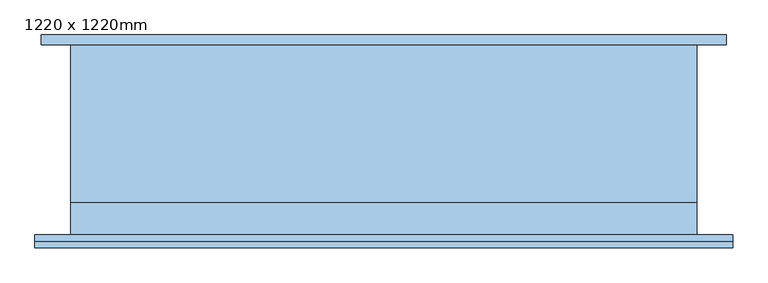
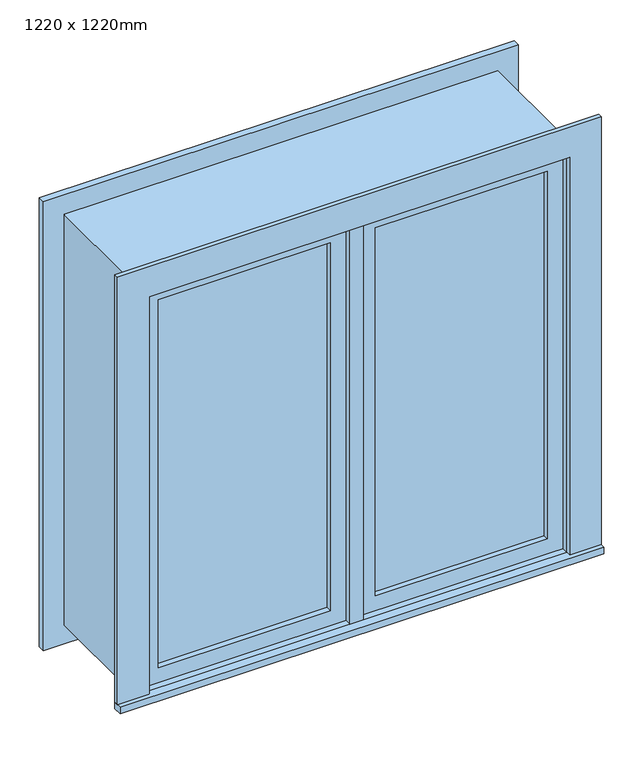
"""IFC4 building model written with IfcOpenShell, lengths in millimetres: window geometry, 1220 x 1220mm."""

from ifc_helpers import new_model, si_unit, frame, origin, place, context, project, spatial, polyline, outline, extrude, source, transform, mapped, element, save


def window_1220_x_1220mm_36c331a6(model_context):
    return source(origin(), model_context, "Body", "SweptSolid", [
        extrude(outline(polyline([(63.5, -169.175), (63.5, -156.475), (546.5, -156.475), (546.5, -169.175), (63.5, -169.175)])), frame((0.0, 0.0, 978.5), z_axis=(0.0, 0.0, 1.0), x_axis=(1.0, 0.0, 0.0)), (0.0, 0.0, 1.0), 1093.0),
        extrude(outline(polyline([(2115.95, 19.05), (934.05, 19.05), (934.05, 590.95), (2115.95, 590.95), (2115.95, 19.05)]), holes=[polyline([(2071.5, 63.5), (2071.5, 546.5), (978.5, 546.5), (978.5, 63.5), (2071.5, 63.5)])]), frame((0.0, -185.05, 0.0), z_axis=(0.0, 1.0, 0.0), x_axis=(0.0, 0.0, 1.0)), (0.0, 0.0, 1.0), 44.45),
        extrude(outline(polyline([(-679.95, -229.75), (-679.95, -204.05), (679.95, -204.05), (679.95, -229.75), (-679.95, -229.75)])), frame((0.0, 0.0, 915.0), z_axis=(0.0, 0.0, 1.0), x_axis=(1.0, 0.0, 0.0)), (0.0, 0.0, 1.0), 19.05),
        extrude(outline(polyline([(2115.95, -590.95), (2115.95, 590.95), (934.05, 590.95), (934.05, 679.95), (2204.95, 679.95), (2204.95, -679.95), (934.05, -679.95), (934.05, -590.95), (2115.95, -590.95)])), frame((0.0, -217.05, 0.0), z_axis=(0.0, 1.0, 0.0), x_axis=(0.0, 0.0, 1.0)), (0.0, 0.0, 1.0), 13.0),
        extrude(outline(polyline([(2192.25, 667.25), (2192.25, -667.25), (857.75, -667.25), (857.75, 667.25), (2192.25, 667.25)]), holes=[polyline([(2103.25, 578.25), (946.75, 578.25), (946.75, -578.25), (2103.25, -578.25), (2103.25, 578.25)])]), frame((0.0, 165.95, 0.0), z_axis=(0.0, 1.0, 0.0), x_axis=(0.0, 0.0, 1.0)), (0.0, 0.0, 1.0), 19.0),
        extrude(outline(polyline([(-63.5, -156.475), (-63.5, -169.175), (-546.5, -169.175), (-546.5, -156.475), (-63.5, -156.475)])), frame((0.0, 0.0, 978.5), z_axis=(0.0, 0.0, 1.0), x_axis=(1.0, 0.0, 0.0)), (0.0, 0.0, 1.0), 1093.0),
        extrude(outline(polyline([(2115.95, -590.95), (934.05, -590.95), (934.05, -19.05), (2115.95, -19.05), (2115.95, -590.95)]), holes=[polyline([(2071.5, -546.5), (2071.5, -63.5), (978.5, -63.5), (978.5, -546.5), (2071.5, -546.5)])]), frame((0.0, -185.05, 0.0), z_axis=(0.0, 1.0, 0.0), x_axis=(0.0, 0.0, 1.0)), (0.0, 0.0, 1.0), 44.45),
        extrude(outline(polyline([(2135.0, -610.0), (915.0, -610.0), (915.0, 610.0), (2135.0, 610.0), (2135.0, -610.0)]), holes=[polyline([(2103.25, -578.25), (2103.25, 578.25), (946.75, 578.25), (946.75, -578.25), (2103.25, -578.25)])]), frame((0.0, -140.6, 0.0), z_axis=(0.0, 1.0, 0.0), x_axis=(0.0, 0.0, 1.0)), (0.0, 0.0, 1.0), 306.55),
        extrude(outline(polyline([(2135.0, 610.0), (2135.0, -610.0), (915.0, -610.0), (915.0, 610.0), (2135.0, 610.0)]), holes=[polyline([(2115.95, 590.95), (934.05, 590.95), (934.05, -590.95), (2115.95, -590.95), (2115.95, 590.95)])]), frame((0.0, -204.05, 0.0), z_axis=(0.0, 1.0, 0.0), x_axis=(0.0, 0.0, 1.0)), (0.0, 0.0, 1.0), 63.45),
        extrude(outline(polyline([(19.05, -140.6), (19.05, -204.1), (-19.05, -204.1), (-19.05, -140.6), (19.05, -140.6)])), frame((0.0, 0.0, 934.05), z_axis=(0.0, 0.0, 1.0), x_axis=(1.0, 0.0, 0.0)), (0.0, 0.0, 1.0), 1181.9),
    ])


if __name__ == "__main__":
    model = new_model("IFC4")
    model_context = context("Model", 3, world=origin())
    ifc_project = project(units=[si_unit("LENGTHUNIT", "METRE", prefix="MILLI")], contexts=[model_context])
    site = spatial("IfcSite", under=ifc_project)
    building = spatial("IfcBuilding", under=site)
    placement = place(None, origin())
    window_1220_x_1220mm_shape = window_1220_x_1220mm_36c331a6(model_context)
    element("IfcWindow", 1, ObjectType="1220 x 1220mm", at=placement, inside=building, context=model_context, shape_type="MappedRepresentation", body=[
        mapped(window_1220_x_1220mm_shape, transform((0.0, 0.0, 0.0), x_axis=(1.0, 0.0, 0.0), y_axis=(0.0, 1.0, 0.0), z_axis=(0.0, 0.0, 1.0))),
    ])
    save(model, "model.ifc")
